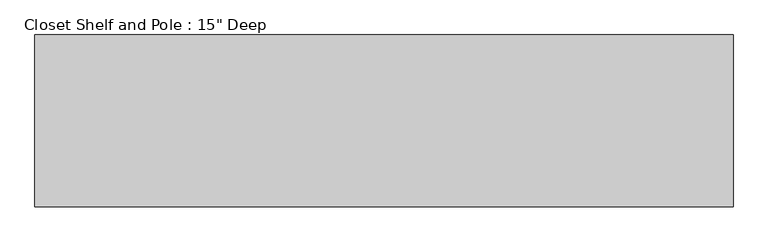
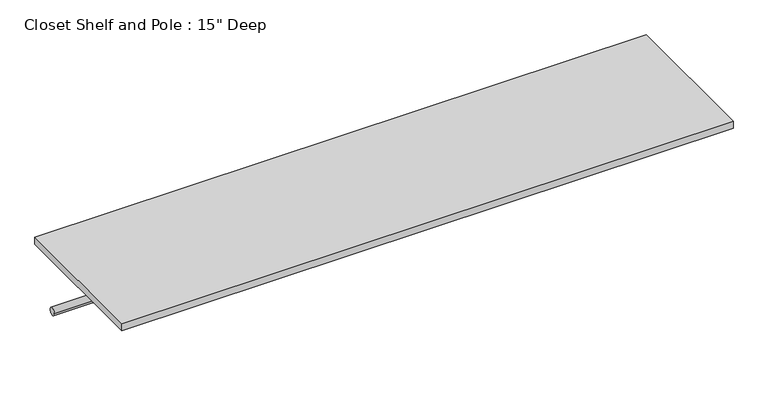
"""IFC4 building model written with IfcOpenShell, lengths in millimetres: proxy geometry."""

from ifc_helpers import new_model, si_unit, point, frame, frame_2d, origin, place, context, project, spatial, polyline, circle_curve, trimmed, segment, composite_curve, outline, extrude, source, transform, mapped, element, save


def proxy_613c1a1c(model_context):
    return source(origin(), model_context, "Body", "SweptSolid", [
        extrude(outline(composite_curve([segment(trimmed(circle_curve(frame_2d((304.8, 1676.4)), 9.525), [point((314.325, 1676.4))], [point((295.275, 1676.4))], False, "CARTESIAN"), True, "CONTINUOUS"), segment(trimmed(circle_curve(frame_2d((304.8, 1676.4)), 9.525), [point((295.275, 1676.4))], [point((314.325, 1676.4))], False, "CARTESIAN"), True, "CONTINUOUS")], self_intersect=False)), frame((0.0, 0.0, 0.0), z_axis=(1.0, 0.0, 0.0), x_axis=(0.0, 1.0, 0.0)), (0.0, 0.0, 1.0), 1549.4),
        extrude(outline(polyline([(1549.4, 0.0), (0.0, 0.0), (0.0, 381.0), (1549.4, 381.0), (1549.4, 0.0)])), frame((0.0, 0.0, 1809.75), z_axis=(0.0, 0.0, 1.0), x_axis=(1.0, 0.0, 0.0)), (0.0, 0.0, 1.0), 19.05),
    ])


if __name__ == "__main__":
    model = new_model("IFC4")
    model_context = context("Model", 3, world=origin())
    ifc_project = project(units=[si_unit("LENGTHUNIT", "METRE", prefix="MILLI")], contexts=[model_context])
    site = spatial("IfcSite", under=ifc_project)
    building = spatial("IfcBuilding", under=site)
    placement = place(None, origin())
    proxy_shape = proxy_613c1a1c(model_context)
    element("IfcBuildingElementProxy", 1, Name="Closet Shelf and Pole : 15\" Deep", ObjectType="Closet Shelf and Pole : 15\" Deep", at=placement, inside=building, context=model_context, shape_type="MappedRepresentation", body=[
        mapped(proxy_shape, transform((0.0, 0.0, 0.0), x_axis=(1.0, 0.0, 0.0), y_axis=(0.0, 1.0, 0.0), z_axis=(0.0, 0.0, 1.0))),
    ])
    save(model, "model.ifc")
